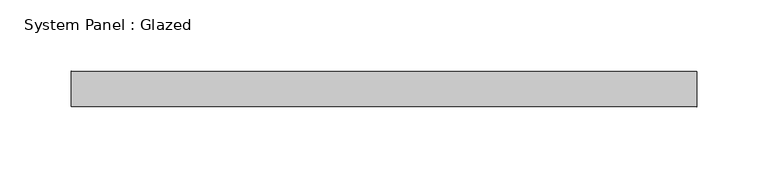
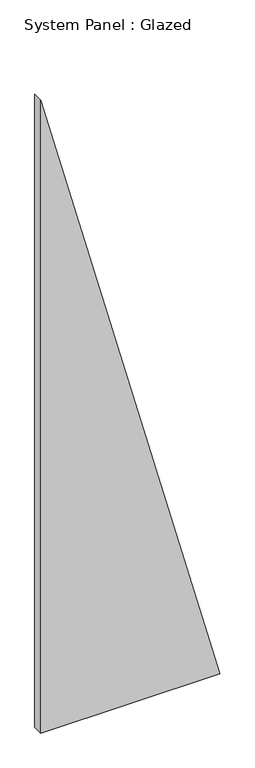
"""IFC4 building model written with IfcOpenShell, lengths in millimetres: plate geometry, System Panel : Glazed."""

import ifcopenshell
import ifcopenshell.guid

model = None  # the IFC model being written
_history = None  # IfcOwnerHistory: only IFC2X3 demands one
_inside = {}  # id of a spatial element -> (the spatial element, [elements in it])
_under = {}  # id of a project, library or spatial element -> (it, [spatial elements below it])
_declared = {}  # id of a project -> (the project, [libraries it declares])
_typed = {}  # id of a type object -> (the type object, [elements of that type])
_made_of = {}  # id of a material, layer set ... -> (it, [elements and type objects made of it])


def new_model(schema):
    """Start an empty IFC model of exactly this schema.

    Asked for "IFC4X3", IfcOpenShell would pick the latest addendum, in which some entities
    have other attributes; the version numbers below select the first issue.
    IFC2X3 requires an IfcOwnerHistory on every rooted entity: one is made here for all.
    """
    global model, _history
    if schema == "IFC4X3":
        model = ifcopenshell.file(schema_version=(4, 3, 0, 0))
    else:
        model = ifcopenshell.file(schema=schema)
    _inside.clear()
    _under.clear()
    _declared.clear()
    _typed.clear()
    _made_of.clear()
    _history = None
    if model.schema == "IFC2X3":
        org = make("IfcOrganization", Name="unknown")
        user = make(
            "IfcPersonAndOrganization",
            ThePerson=make("IfcPerson", FamilyName="unknown"),
            TheOrganization=org,
        )
        app = make(
            "IfcApplication",
            ApplicationDeveloper=org,
            Version="unknown",
            ApplicationFullName="unknown",
            ApplicationIdentifier="unknown",
        )
        _history = make(
            "IfcOwnerHistory",
            OwningUser=user,
            OwningApplication=app,
            ChangeAction="ADDED",
            CreationDate=0,
        )
    return model


def make(cls, **values):
    """One entity of the class cls with the attributes given. An attribute that is None is left unset."""
    return model.create_entity(
        cls, **{name: value for name, value in values.items() if value is not None}
    )


def rooted(cls, **values):
    """An entity with a GlobalId (a new one), such as an element, a storey or a relation."""
    return make(cls, GlobalId=ifcopenshell.guid.new(), OwnerHistory=_history, **values)


def si_unit(unit_type, name, prefix=None):
    """IfcSIUnit, for example si_unit("LENGTHUNIT", "METRE", prefix="MILLI")."""
    return make("IfcSIUnit", UnitType=unit_type, Prefix=prefix, Name=name)


def assignment(units):
    """IfcUnitAssignment: the units of a project."""
    return None if units is None else make("IfcUnitAssignment", Units=units)


def point(xyz):
    """IfcCartesianPoint."""
    return None if xyz is None else make("IfcCartesianPoint", Coordinates=xyz)


def direction(xyz):
    """IfcDirection."""
    return None if xyz is None else make("IfcDirection", DirectionRatios=xyz)


def frame(location, z_axis=None, x_axis=None):
    """IfcAxis2Placement3D, a coordinate frame: its origin and axes. An axis left out is left unset."""
    return make(
        "IfcAxis2Placement3D",
        Location=point(location),
        Axis=direction(z_axis),
        RefDirection=direction(x_axis),
    )


def origin():
    """The frame at (0, 0, 0) with its axes left unset."""
    return frame((0.0, 0.0, 0.0))


def place(relative_to, where):
    """IfcLocalPlacement: puts the frame where relative to a parent placement (None: the world)."""
    return make(
        "IfcLocalPlacement", PlacementRelTo=relative_to, RelativePlacement=where
    )


def context(
    kind, dimensions, precision=None, world=None, true_north=None, identifier=None
):
    """IfcGeometricRepresentationContext, for example the 3D "Model" context."""
    return make(
        "IfcGeometricRepresentationContext",
        ContextIdentifier=identifier,
        ContextType=kind,
        CoordinateSpaceDimension=dimensions,
        Precision=precision,
        WorldCoordinateSystem=world,
        TrueNorth=true_north,
    )


def project(units=None, contexts=None):
    """IfcProject with its units and contexts."""
    return rooted(
        "IfcProject",
        Name="project",
        RepresentationContexts=contexts,
        UnitsInContext=assignment(units),
    )


def spatial(cls, under=None, at=None, **own):
    """A site, building, storey or space (cls), placed at a placement, below another one or the project."""
    s = rooted(cls, ObjectPlacement=at, **own)
    if under is not None:
        _under.setdefault(under.id(), (under, []))[1].append(s)
    return s


def polyline(points):
    """IfcPolyline through the points."""
    return make("IfcPolyline", Points=[point(p) for p in points])


def outline(outer, holes=None, kind="AREA"):
    """IfcArbitraryClosedProfileDef: a profile drawn as a closed curve; with holes, ...WithVoids."""
    if holes is None:
        return make("IfcArbitraryClosedProfileDef", ProfileType=kind, OuterCurve=outer)
    return make(
        "IfcArbitraryProfileDefWithVoids",
        ProfileType=kind,
        OuterCurve=outer,
        InnerCurves=holes,
    )


def extrude(swept, where, along, depth):
    """IfcExtrudedAreaSolid: the profile swept, set in the frame where, extruded along a direction by depth."""
    return make(
        "IfcExtrudedAreaSolid",
        SweptArea=swept,
        Position=where,
        ExtrudedDirection=direction(along),
        Depth=depth,
    )


def shape(context_of_items, identifier, shape_type, items):
    """IfcShapeRepresentation: the items that make up one representation, for example the "Body"."""
    return make(
        "IfcShapeRepresentation",
        ContextOfItems=context_of_items,
        RepresentationIdentifier=identifier,
        RepresentationType=shape_type,
        Items=items,
    )


def source(mapping_origin, context_of_items, identifier, shape_type, items):
    """IfcRepresentationMap: a shape defined once, which mapped items show again and again."""
    return make(
        "IfcRepresentationMap",
        MappingOrigin=mapping_origin,
        MappedRepresentation=shape(context_of_items, identifier, shape_type, items),
    )


def transform(
    local_origin,
    x_axis=None,
    y_axis=None,
    z_axis=None,
    scale=None,
    scale2=None,
    scale3=None,
    uniform=True,
):
    """IfcCartesianTransformationOperator3D, or its non-uniform kind. x_axis, y_axis, z_axis: its Axis1, 2, 3."""
    if uniform:
        return make(
            "IfcCartesianTransformationOperator3D",
            Axis1=direction(x_axis),
            Axis2=direction(y_axis),
            LocalOrigin=point(local_origin),
            Scale=scale,
            Axis3=direction(z_axis),
        )
    return make(
        "IfcCartesianTransformationOperator3DnonUniform",
        Axis1=direction(x_axis),
        Axis2=direction(y_axis),
        LocalOrigin=point(local_origin),
        Scale=scale,
        Axis3=direction(z_axis),
        Scale2=scale2,
        Scale3=scale3,
    )


def mapped(mapping_source, mapping_target):
    """IfcMappedItem: shows the shape of a source again, moved by a transform."""
    return make(
        "IfcMappedItem", MappingSource=mapping_source, MappingTarget=mapping_target
    )


def made_of(thing, what):
    """Note that an element or type object is made of a material, layer set ...; save() writes the relation."""
    if what is not None:
        _made_of.setdefault(what.id(), (what, []))[1].append(thing)
    return thing


def element(
    cls,
    number,
    at=None,
    inside=None,
    cuts=None,
    type_object=None,
    material=None,
    context=None,
    identifier="Body",
    shape_type=None,
    held_by="IfcProductDefinitionShape",
    body=None,
    shapes=None,
    **own,
):
    """One element of the class cls, such as IfcWall. Its Tag is "e" and its number.

    at: its placement. inside: the storey or other place that contains it. cuts: it is an
    opening in that element (IfcRelVoidsElement). A single representation is given by context,
    identifier, shape_type and body (its items); several are given by shapes. held_by: the class
    of the entity that holds the representations. save() writes the other relations.
    """
    e = rooted(cls, Tag="e%d" % number, ObjectPlacement=at, **own)
    if body is not None:
        shapes = [shape(context, identifier, shape_type, body)]
    if shapes is not None:
        e.Representation = make(held_by, Representations=shapes)
    if inside is not None:
        _inside.setdefault(inside.id(), (inside, []))[1].append(e)
    if cuts is not None:
        rooted(
            "IfcRelVoidsElement", RelatingBuildingElement=cuts, RelatedOpeningElement=e
        )
    if type_object is not None:
        _typed.setdefault(type_object.id(), (type_object, []))[1].append(e)
    return made_of(e, material)


def aggregate(whole, parts):
    """IfcRelAggregates: a whole, such as a stair, and the parts it consists of."""
    return rooted("IfcRelAggregates", RelatingObject=whole, RelatedObjects=parts)


def save(model, path):
    """Write the relations noted so far, then the file.

    IfcRelAggregates (storeys below a building ...), IfcRelContainedInSpatialStructure (elements
    in a storey), IfcRelDefinesByType, IfcRelAssociatesMaterial and IfcRelDeclares: one each for
    every whole, place, type object, material and project.
    """
    for whole, parts in _under.values():
        aggregate(whole, parts)
    for where, things in _inside.values():
        rooted(
            "IfcRelContainedInSpatialStructure",
            RelatedElements=things,
            RelatingStructure=where,
        )
    for kind, things in _typed.values():
        rooted("IfcRelDefinesByType", RelatedObjects=things, RelatingType=kind)
    for what, things in _made_of.values():
        rooted("IfcRelAssociatesMaterial", RelatedObjects=things, RelatingMaterial=what)
    for by, libraries in _declared.values():
        rooted("IfcRelDeclares", RelatingContext=by, RelatedDefinitions=libraries)
    model.write(path)


def system_panel_glazed_01aa997f(model_context):
    return source(origin(), model_context, "Body", "SweptSolid", [
        extrude(outline(polyline([(0.0, -219.8982519), (0.0, 219.8982519), (1641.3428971, -219.8982519), (0.0, -219.8982519)])), frame((0.0, -2.5, 0.0), z_axis=(0.0, 1.0, 0.0), x_axis=(0.0, 0.0, 1.0)), (0.0, 0.0, 1.0), 25.0),
    ])


if __name__ == "__main__":
    model = new_model("IFC4")
    model_context = context("Model", 3, world=origin())
    ifc_project = project(units=[si_unit("LENGTHUNIT", "METRE", prefix="MILLI")], contexts=[model_context])
    site = spatial("IfcSite", under=ifc_project)
    building = spatial("IfcBuilding", under=site)
    placement = place(None, origin())
    system_panel_glazed_shape = system_panel_glazed_01aa997f(model_context)
    element("IfcPlate", 1, ObjectType="System Panel : Glazed", at=placement, inside=building, context=model_context, shape_type="MappedRepresentation", body=[
        mapped(system_panel_glazed_shape, transform((0.0, 0.0, 0.0), x_axis=(1.0, 0.0, 0.0), y_axis=(0.0, 1.0, 0.0), z_axis=(0.0, 0.0, 1.0))),
    ])
    save(model, "model.ifc")
